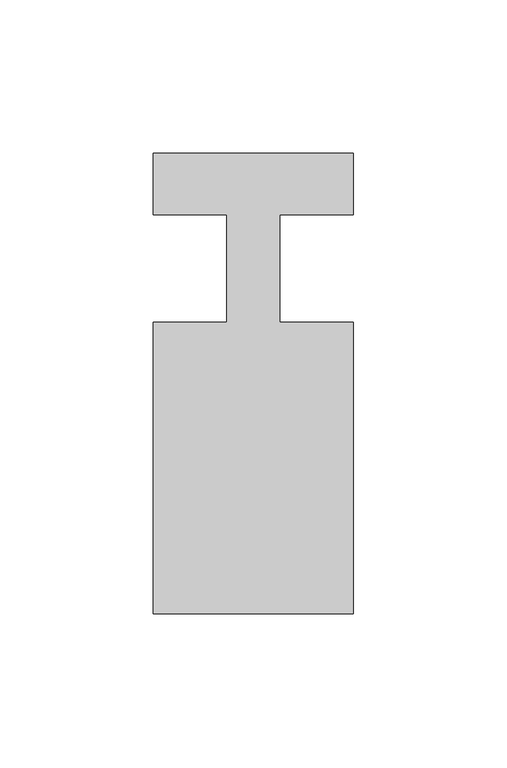
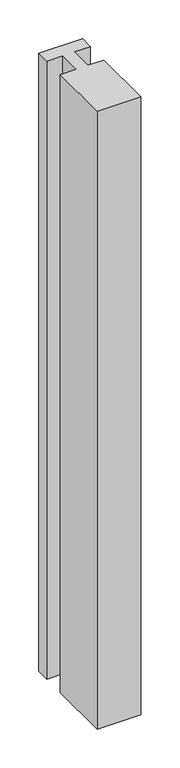
"""IFC4 building model written with IfcOpenShell, lengths in millimetres: member geometry."""

from ifc_helpers import new_model, si_unit, frame, origin, place, context, project, spatial, polyline, outline, extrude, source, transform, mapped, element, save


def member_e8428d35(model_context):
    return source(origin(), model_context, "Body", "SweptSolid", [
        extrude(outline(polyline([(0.0, 37.0), (0.0, 17.0), (-23.8125, 17.0), (-23.8125, -18.0), (0.0, -18.0), (0.0, -113.0), (-65.0, -113.0), (-65.0, -18.0), (-41.1875, -18.0), (-41.1875, 17.0), (-65.0, 17.0), (-65.0, 37.0), (0.0, 37.0)])), frame((0.0, 0.0, -971.6666667), z_axis=(0.0, 0.0, 1.0), x_axis=(1.0, 0.0, 0.0)), (0.0, 0.0, 1.0), 971.6666667),
    ])


if __name__ == "__main__":
    model = new_model("IFC4")
    model_context = context("Model", 3, world=origin())
    ifc_project = project(units=[si_unit("LENGTHUNIT", "METRE", prefix="MILLI")], contexts=[model_context])
    site = spatial("IfcSite", under=ifc_project)
    building = spatial("IfcBuilding", under=site)
    placement = place(None, origin())
    member_shape = member_e8428d35(model_context)
    element("IfcMember", 1, at=placement, inside=building, context=model_context, shape_type="MappedRepresentation", body=[
        mapped(member_shape, transform((0.0, 0.0, 0.0), x_axis=(1.0, 0.0, 0.0), y_axis=(0.0, 1.0, 0.0), z_axis=(0.0, 0.0, 1.0))),
    ])
    save(model, "model.ifc")
